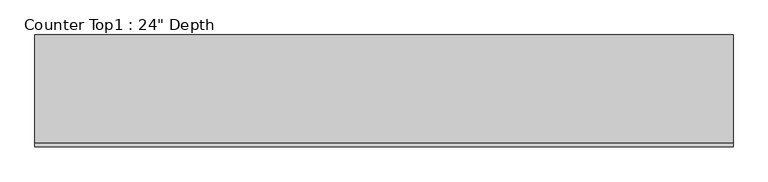
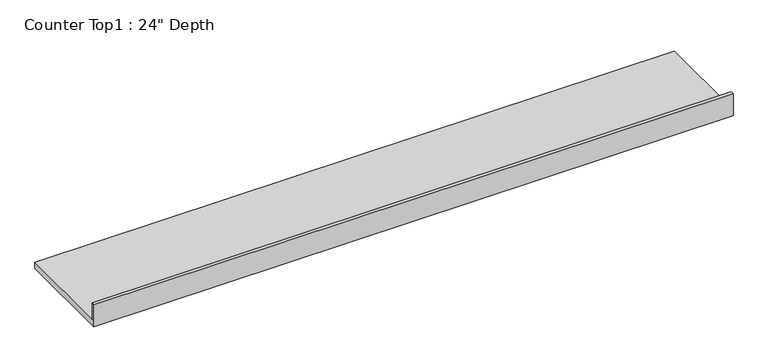
"""IFC4 building model written with IfcOpenShell, lengths in millimetres: furniture geometry."""

from ifc_helpers import new_model, si_unit, frame, origin, place, context, project, spatial, polyline, outline, extrude, source, transform, mapped, element, save


def furniture_9e460da5(model_context):
    return source(origin(), model_context, "Body", "SweptSolid", [
        extrude(outline(polyline([(0.0, 1016.0), (19.05, 1016.0), (19.05, 914.4), (609.6, 914.4), (609.6, 876.3), (0.0, 876.3), (0.0, 1016.0)])), frame((-1200.4622951, 0.0, 0.0), z_axis=(1.0, 0.0, 0.0), x_axis=(0.0, 1.0, 0.0)), (0.0, 0.0, 1.0), 3810.0),
    ])


if __name__ == "__main__":
    model = new_model("IFC4")
    model_context = context("Model", 3, world=origin())
    ifc_project = project(units=[si_unit("LENGTHUNIT", "METRE", prefix="MILLI")], contexts=[model_context])
    site = spatial("IfcSite", under=ifc_project)
    building = spatial("IfcBuilding", under=site)
    placement = place(None, origin())
    furniture_shape = furniture_9e460da5(model_context)
    element("IfcFurniture", 1, ObjectType="Counter Top1 : 24\" Depth", at=placement, inside=building, context=model_context, shape_type="MappedRepresentation", body=[
        mapped(furniture_shape, transform((0.0, 0.0, 0.0), x_axis=(1.0, 0.0, 0.0), y_axis=(0.0, 1.0, 0.0), z_axis=(0.0, 0.0, 1.0))),
    ])
    save(model, "model.ifc")
